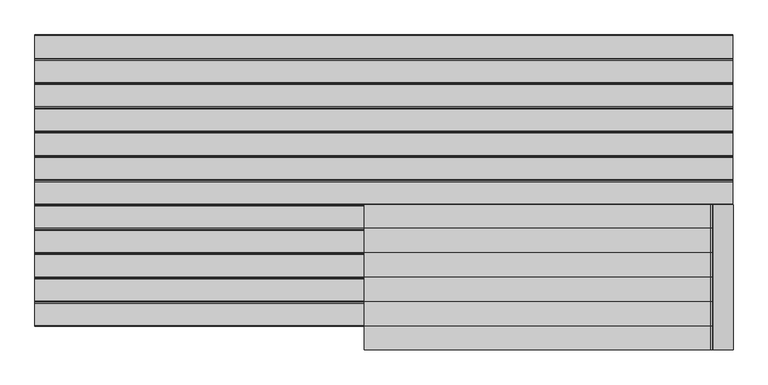
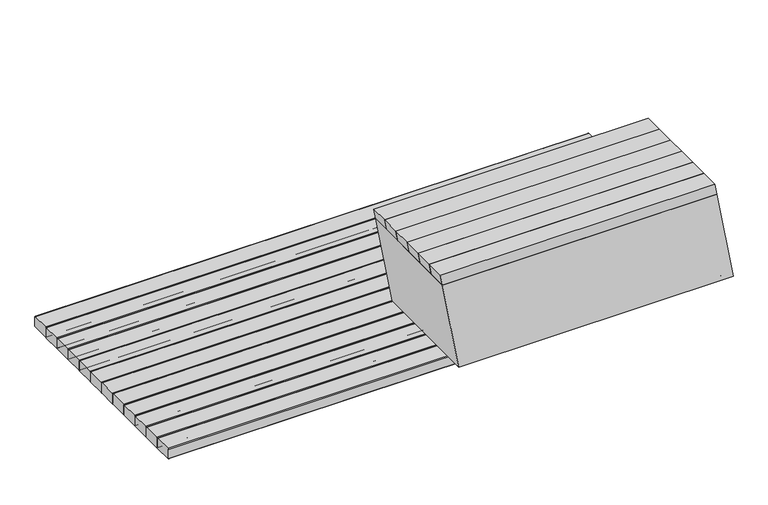
"""IFC4 building model written with IfcOpenShell, lengths in millimetres: furniture geometry."""

from ifc_helpers import new_model, si_unit, frame, origin, place, context, project, spatial, polyline, circle_curve, outline, extrude, faceted_brep, source, transform, mapped, element, save
from ifc_brep_helpers import plane_surface, cylinder_surface, advanced_brep


def furniture_d34a2d7c(model_context):
    return source(origin(), model_context, "Body", "SolidModel", [
        faceted_brep([(-59.1883413, -1000.0, 572.8633187), (1130.8116587, -1000.0, 572.8633187), (1130.8116587, -500.0, 572.8633187), (-59.1883413, -500.0, 572.8633187), (1011.2024098, -950.0, 572.8633187), (61.342451, -950.0, 572.8633187), (61.342451, -550.0000735, 572.8633187), (1011.2024098, -550.0000735, 572.8633187), (11.342451, -1000.0000367, 172.8633187), (11.342451, -500.0, 172.8633187), (1201.342451, -500.0, 172.8633187), (1201.342451, -1000.0000367, 172.8633187), (61.342451, -950.0, 172.8633187), (1151.342451, -950.0, 172.8633187), (1151.342451, -550.0000735, 172.8633187), (61.342451, -550.0000735, 172.8633187), (-53.657549, -994.0, 566.8633187), (-53.657549, -506.0000735, 566.8633187), (1122.2598002, -506.0000735, 566.8633187), (1122.2598002, -994.0, 566.8633187), (61.342451, -950.0, 566.8633187), (1013.3045104, -950.0, 566.8633187), (1013.3045104, -550.0000735, 566.8633187), (61.342451, -550.0000735, 566.8633187), (17.1082534, -994.0, 178.8633187), (1193.8175903, -994.0, 178.8633187), (1193.8175903, -506.0000735, 178.8633187), (17.1082534, -506.0000735, 178.8633187), (1149.2403504, -950.0, 178.8633187), (61.342451, -950.0, 178.8633187), (61.342451, -550.0000735, 178.8633187), (1149.2403504, -550.0000735, 178.8633187)], [[[0, 1, 2, 3], [4, 5, 6, 7]], [[8, 9, 10, 11], [12, 13, 14, 15]], [[1, 0, 8, 11]], [[2, 1, 11, 10]], [[3, 2, 10, 9]], [[0, 3, 9, 8]], [[16, 17, 18, 19], [20, 21, 22, 23]], [[24, 25, 26, 27], [28, 29, 30, 31]], [[16, 19, 25, 24]], [[19, 18, 26, 25]], [[18, 17, 27, 26]], [[17, 16, 24, 27]], [[20, 5, 4, 21]], [[12, 29, 28, 13]], [[21, 4, 7, 22]], [[13, 28, 31, 14]], [[22, 7, 6, 23]], [[14, 31, 30, 15]], [[5, 20, 23, 6]], [[29, 12, 15, 30]]]),
        extrude(outline(polyline([(621.3633187, -67.7401998), (572.8633187, -59.1883413), (572.8633187, 1130.8116587), (621.3633187, 1122.2598002), (621.3633187, -67.7401998)])), frame((0.0, -1000.0, 0.0), z_axis=(0.0, 1.0, 0.0), x_axis=(0.0, 0.0, 1.0)), (0.0, 0.0, 1.0), 81.9999944),
        extrude(outline(polyline([(621.3633187, -67.7401998), (572.8633187, -59.1883413), (572.8633187, 1130.8116587), (621.3633187, 1122.2598002), (621.3633187, -67.7401998)])), frame((0.0, -918.0000056, 0.0), z_axis=(0.0, 1.0, 0.0), x_axis=(0.0, 0.0, 1.0)), (0.0, 0.0, 1.0), 84.0),
        extrude(outline(polyline([(621.3633187, -67.7401998), (572.8633187, -59.1883413), (572.8633187, 1130.8116587), (621.3633187, 1122.2598002), (621.3633187, -67.7401998)])), frame((0.0, -834.0000056, 0.0), z_axis=(0.0, 1.0, 0.0), x_axis=(0.0, 0.0, 1.0)), (0.0, 0.0, 1.0), 83.9999689),
        extrude(outline(polyline([(621.3633187, -67.7401998), (572.8633187, -59.1883413), (572.8633187, 1130.8116587), (621.3633187, 1122.2598002), (621.3633187, -67.7401998)])), frame((0.0, -750.0000367, 0.0), z_axis=(0.0, 1.0, 0.0), x_axis=(0.0, 0.0, 1.0)), (0.0, 0.0, 1.0), 84.0000311),
        extrude(outline(polyline([(621.3633187, -67.7401998), (572.8633187, -59.1883413), (572.8633187, 1130.8116587), (621.3633187, 1122.2598002), (621.3633187, -67.7401998)])), frame((0.0, -666.0000056, 0.0), z_axis=(0.0, 1.0, 0.0), x_axis=(0.0, 0.0, 1.0)), (0.0, 0.0, 1.0), 84.0),
        extrude(outline(polyline([(621.3633187, -67.7401998), (572.8633187, -59.1883413), (572.8633187, 1130.8116587), (621.3633187, 1122.2598002), (621.3633187, -67.7401998)])), frame((0.0, -582.0000056, 0.0), z_axis=(0.0, 1.0, 0.0), x_axis=(0.0, 0.0, 1.0)), (0.0, 0.0, 1.0), 81.9999321),
        advanced_brep(
        [(1199.9999759, -919.1308913, 128.3), (1199.9999759, -919.1308913, 169.8), (-1199.9998, -919.1308913, 169.8), (-1199.9998, -919.1308913, 128.3), (1199.9999759, -916.1308913, 125.3), (-1199.9998, -916.1308913, 125.3), (-1149.9999759, -916.1308913, 125.3), (1149.9999759, -916.1308913, 125.3), (1199.9999759, -838.5594304, 125.3), (-1199.9998, -838.5594304, 125.3), (-1149.9999759, -838.5594304, 125.3), (1149.9999759, -838.5594304, 125.3), (1199.9999759, -838.5656739, 172.8), (1199.9999759, -835.5656739, 169.8), (-1199.9998, -835.5656739, 169.8), (-1199.9998, -838.5656739, 172.8), (1199.9999759, -916.1308913, 172.8), (1199.9999759, -835.5656739, 128.2937565), (-1199.9998, -916.1308913, 172.8), (-1199.9998, -835.5656739, 128.2937565)],
        [
            (0, 1),
            (1, 2),
            (2, 3),
            (3, 0),
            (4, 0, circle_curve(frame((1199.9999759, -916.1308913, 128.3), z_axis=(-1.0, 0.0, 0.0), x_axis=(0.0, -1.0, 0.0)), 3.0)),
            (3, 5, circle_curve(frame((-1199.9998, -916.1308913, 128.3), z_axis=(1.0, 0.0, 0.0), x_axis=(0.0, -1.0, 0.0)), 3.0)),
            (5, 6),
            (6, 7),
            (7, 4),
            (8, 4),
            (5, 9),
            (9, 10),
            (10, 11),
            (11, 8),
            (12, 13, circle_curve(frame((1199.9999759, -838.5656739, 169.8), z_axis=(-1.0, 0.0, 0.0), x_axis=(0.0, -1.0, 0.0)), 3.0)),
            (13, 14),
            (14, 15, circle_curve(frame((-1199.9998, -838.5656739, 169.8), z_axis=(1.0, 0.0, 0.0), x_axis=(0.0, -1.0, 0.0)), 3.0)),
            (15, 12),
            (16, 1, circle_curve(frame((1199.9999759, -916.1308913, 169.8), z_axis=(1.0, 0.0, 0.0), x_axis=(0.0, -1.0, 0.0)), 3.0)),
            (8, 17, circle_curve(frame((1199.9999759, -838.5594304, 128.2937565), z_axis=(1.0, 0.0, 0.0), x_axis=(0.0, -1.0, 0.0)), 2.9937565)),
            (17, 13),
            (12, 16),
            (18, 15),
            (14, 19),
            (19, 9, circle_curve(frame((-1199.9998, -838.5594304, 128.2937565), z_axis=(-1.0, 0.0, 0.0), x_axis=(0.0, -1.0, 0.0)), 2.9937565)),
            (2, 18, circle_curve(frame((-1199.9998, -916.1308913, 169.8), z_axis=(-1.0, 0.0, 0.0), x_axis=(0.0, -1.0, 0.0)), 3.0)),
            (16, 18),
            (19, 17),
        ],
        [
            plane_surface(frame((1199.9999759, -919.1308913, 169.8), z_axis=(0.0, -1.0, 0.0), x_axis=(-1.0, 0.0, 0.0))),
            cylinder_surface(frame((-1199.9998, -916.1308913, 128.3), z_axis=(1.0, 0.0, 0.0), x_axis=(0.0, -1.0, 0.0)), 3.0),
            plane_surface(frame((1199.9999759, -916.1308913, 125.3), z_axis=(0.0, 0.0, -1.0), x_axis=(-1.0, 0.0, 0.0))),
            cylinder_surface(frame((-1199.9998, -838.5656739, 169.8), z_axis=(1.0, 0.0, 0.0), x_axis=(0.0, -1.0, 0.0)), 3.0),
            plane_surface(frame((1199.9999759, -919.1308913, 169.8), z_axis=(1.0, 0.0, 0.0), x_axis=(0.0, 0.0, -1.0))),
            plane_surface(frame((-1199.9998, -919.1308913, 169.8), z_axis=(-1.0, 0.0, 0.0), x_axis=(0.0, 0.0, 1.0))),
            cylinder_surface(frame((-1199.9998, -916.1308913, 169.8), z_axis=(1.0, 0.0, 0.0), x_axis=(0.0, -1.0, 0.0)), 3.0),
            cylinder_surface(frame((-1199.9998, -838.5594304, 128.2937565), z_axis=(1.0, 0.0, 0.0), x_axis=(0.0, -1.0, 0.0)), 2.9937565),
            plane_surface(frame((1199.9999759, -835.5656739, 128.2937565), z_axis=(0.0, 1.0, 0.0), x_axis=(-1.0, 0.0, 0.0))),
            plane_surface(frame((1199.9999759, -838.5656739, 172.8), z_axis=(0.0, 0.0, 1.0), x_axis=(-1.0, 0.0, 0.0))),
        ],
        [
            (0, [[1, 2, 3, 4]]),
            (1, [[5, -4, 6, 7, 8, 9]]),
            (2, [[10, -9, -8, -7, 11, 12, 13, 14]]),
            (3, [[15, 16, 17, 18]]),
            (4, [[19, -1, -5, -10, 20, 21, -15, 22]]),
            (5, [[23, -17, 24, 25, -11, -6, -3, 26]]),
            (6, [[-19, 27, -26, -2]]),
            (7, [[-20, -14, -13, -12, -25, 28]]),
            (8, [[-21, -28, -24, -16]]),
            (9, [[-22, -18, -23, -27]]),
        ],
    ),
        advanced_brep(
        [(1199.9999759, -832.5656739, 172.8), (1199.9999759, -835.5656739, 169.8), (1199.9999759, -835.5656739, 128.3), (1199.9999759, -832.5656739, 125.3), (1199.9999759, -754.994213, 125.3), (1199.9999759, -752.0004565, 128.2937565), (1199.9999759, -752.0004565, 169.8), (1199.9999759, -755.0004565, 172.8), (-1199.9998, -832.5656739, 172.8), (-1199.9998, -755.0004565, 172.8), (-1199.9998, -752.0004565, 169.8), (-1199.9998, -752.0004565, 128.2937565), (-1199.9998, -754.994213, 125.3), (-1199.9998, -832.5656739, 125.3), (-1199.9998, -835.5656739, 128.3), (-1199.9998, -835.5656739, 169.8), (-1149.9999759, -832.5656739, 125.3), (1149.9999759, -832.5656739, 125.3), (-1149.9999759, -754.994213, 125.3), (1149.9999759, -754.994213, 125.3)],
        [
            (0, 1, circle_curve(frame((1199.9999759, -832.5656739, 169.8), z_axis=(1.0, 0.0, 0.0), x_axis=(0.0, -1.0, 0.0)), 3.0)),
            (1, 2),
            (2, 3, circle_curve(frame((1199.9999759, -832.5656739, 128.3), z_axis=(1.0, 0.0, 0.0), x_axis=(0.0, -1.0, 0.0)), 3.0)),
            (3, 4),
            (4, 5, circle_curve(frame((1199.9999759, -754.994213, 128.2937565), z_axis=(1.0, 0.0, 0.0), x_axis=(0.0, -1.0, 0.0)), 2.9937565)),
            (5, 6),
            (6, 7, circle_curve(frame((1199.9999759, -755.0004565, 169.8), z_axis=(1.0, 0.0, 0.0), x_axis=(0.0, -1.0, 0.0)), 3.0)),
            (7, 0),
            (8, 9),
            (9, 10, circle_curve(frame((-1199.9998, -755.0004565, 169.8), z_axis=(-1.0, 0.0, 0.0), x_axis=(0.0, -1.0, 0.0)), 3.0)),
            (10, 11),
            (11, 12, circle_curve(frame((-1199.9998, -754.994213, 128.2937565), z_axis=(-1.0, 0.0, 0.0), x_axis=(0.0, -1.0, 0.0)), 2.9937565)),
            (12, 13),
            (13, 14, circle_curve(frame((-1199.9998, -832.5656739, 128.3), z_axis=(-1.0, 0.0, 0.0), x_axis=(0.0, -1.0, 0.0)), 3.0)),
            (14, 15),
            (15, 8, circle_curve(frame((-1199.9998, -832.5656739, 169.8), z_axis=(-1.0, 0.0, 0.0), x_axis=(0.0, -1.0, 0.0)), 3.0)),
            (0, 8),
            (15, 1),
            (14, 2),
            (13, 16),
            (16, 17),
            (17, 3),
            (12, 18),
            (18, 19),
            (19, 4),
            (11, 5),
            (10, 6),
            (9, 7),
        ],
        [
            plane_surface(frame((1199.9999759, -835.5656739, 169.8), z_axis=(1.0, 0.0, 0.0), x_axis=(0.0, 0.0, -1.0))),
            plane_surface(frame((-1199.9998, -835.5656739, 169.8), z_axis=(-1.0, 0.0, 0.0), x_axis=(0.0, 0.0, 1.0))),
            cylinder_surface(frame((-1199.9998, -832.5656739, 169.8), z_axis=(1.0, 0.0, 0.0), x_axis=(0.0, -1.0, 0.0)), 3.0),
            plane_surface(frame((1199.9999759, -835.5656739, 169.8), z_axis=(0.0, -1.0, 0.0), x_axis=(-1.0, 0.0, 0.0))),
            cylinder_surface(frame((-1199.9998, -832.5656739, 128.3), z_axis=(1.0, 0.0, 0.0), x_axis=(0.0, -1.0, 0.0)), 3.0),
            plane_surface(frame((1199.9999759, -832.5656739, 125.3), z_axis=(0.0, 0.0, -1.0), x_axis=(-1.0, 0.0, 0.0))),
            cylinder_surface(frame((-1199.9998, -754.994213, 128.2937565), z_axis=(1.0, 0.0, 0.0), x_axis=(0.0, -1.0, 0.0)), 2.9937565),
            plane_surface(frame((1199.9999759, -752.0004565, 128.2937565), z_axis=(0.0, 1.0, 0.0), x_axis=(-1.0, 0.0, 0.0))),
            cylinder_surface(frame((-1199.9998, -755.0004565, 169.8), z_axis=(1.0, 0.0, 0.0), x_axis=(0.0, -1.0, 0.0)), 3.0),
            plane_surface(frame((1199.9999759, -755.0004565, 172.8), z_axis=(0.0, 0.0, 1.0), x_axis=(-1.0, 0.0, 0.0))),
        ],
        [
            (0, [[1, 2, 3, 4, 5, 6, 7, 8]]),
            (1, [[9, 10, 11, 12, 13, 14, 15, 16]]),
            (2, [[-1, 17, -16, 18]]),
            (3, [[-2, -18, -15, 19]]),
            (4, [[-3, -19, -14, 20, 21, 22]]),
            (5, [[-4, -22, -21, -20, -13, 23, 24, 25]]),
            (6, [[-5, -25, -24, -23, -12, 26]]),
            (7, [[-6, -26, -11, 27]]),
            (8, [[-7, -27, -10, 28]]),
            (9, [[-8, -28, -9, -17]]),
        ],
    ),
        advanced_brep(
        [(1199.9999759, -749.0004565, 125.3), (1199.9999759, -752.0004565, 128.3), (-1199.9998, -752.0004565, 128.3), (-1199.9998, -749.0004565, 125.3), (-1149.9999759, -749.0004565, 125.3), (1149.9999759, -749.0004565, 125.3), (1199.9999759, -749.0004565, 172.8), (1199.9999759, -752.0004565, 169.8), (1199.9999759, -671.4289956, 125.3), (1199.9999759, -668.4352391, 128.2937565), (1199.9999759, -668.4352391, 169.8), (1199.9999759, -671.4352391, 172.8), (-1199.9998, -749.0004565, 172.8), (-1199.9998, -671.4352391, 172.8), (-1199.9998, -668.4352391, 169.8), (-1199.9998, -668.4352391, 128.2937565), (-1199.9998, -671.4289956, 125.3), (-1199.9998, -752.0004565, 169.8), (-1149.9999759, -671.4289956, 125.3), (1149.9999759, -671.4289956, 125.3)],
        [
            (0, 1, circle_curve(frame((1199.9999759, -749.0004565, 128.3), z_axis=(-1.0, 0.0, 0.0), x_axis=(0.0, -1.0, 0.0)), 3.0)),
            (1, 2),
            (2, 3, circle_curve(frame((-1199.9998, -749.0004565, 128.3), z_axis=(1.0, 0.0, 0.0), x_axis=(0.0, -1.0, 0.0)), 3.0)),
            (3, 4),
            (4, 5),
            (5, 0),
            (6, 7, circle_curve(frame((1199.9999759, -749.0004565, 169.8), z_axis=(1.0, 0.0, 0.0), x_axis=(0.0, -1.0, 0.0)), 3.0)),
            (7, 1),
            (0, 8),
            (8, 9, circle_curve(frame((1199.9999759, -671.4289956, 128.2937565), z_axis=(1.0, 0.0, 0.0), x_axis=(0.0, -1.0, 0.0)), 2.9937565)),
            (9, 10),
            (10, 11, circle_curve(frame((1199.9999759, -671.4352391, 169.8), z_axis=(1.0, 0.0, 0.0), x_axis=(0.0, -1.0, 0.0)), 3.0)),
            (11, 6),
            (12, 13),
            (13, 14, circle_curve(frame((-1199.9998, -671.4352391, 169.8), z_axis=(-1.0, 0.0, 0.0), x_axis=(0.0, -1.0, 0.0)), 3.0)),
            (14, 15),
            (15, 16, circle_curve(frame((-1199.9998, -671.4289956, 128.2937565), z_axis=(-1.0, 0.0, 0.0), x_axis=(0.0, -1.0, 0.0)), 2.9937565)),
            (16, 3),
            (2, 17),
            (17, 12, circle_curve(frame((-1199.9998, -749.0004565, 169.8), z_axis=(-1.0, 0.0, 0.0), x_axis=(0.0, -1.0, 0.0)), 3.0)),
            (6, 12),
            (17, 7),
            (16, 18),
            (18, 19),
            (19, 8),
            (15, 9),
            (14, 10),
            (13, 11),
        ],
        [
            cylinder_surface(frame((-1199.9998, -749.0004565, 128.3), z_axis=(1.0, 0.0, 0.0), x_axis=(0.0, -1.0, 0.0)), 3.0),
            plane_surface(frame((1199.9999759, -752.0004565, 169.8), z_axis=(1.0, 0.0, 0.0), x_axis=(0.0, 0.0, -1.0))),
            plane_surface(frame((-1199.9998, -752.0004565, 169.8), z_axis=(-1.0, 0.0, 0.0), x_axis=(0.0, 0.0, 1.0))),
            cylinder_surface(frame((-1199.9998, -749.0004565, 169.8), z_axis=(1.0, 0.0, 0.0), x_axis=(0.0, -1.0, 0.0)), 3.0),
            plane_surface(frame((1199.9999759, -752.0004565, 169.8), z_axis=(0.0, -1.0, 0.0), x_axis=(-1.0, 0.0, 0.0))),
            plane_surface(frame((1199.9999759, -749.0004565, 125.3), z_axis=(0.0, 0.0, -1.0), x_axis=(-1.0, 0.0, 0.0))),
            cylinder_surface(frame((-1199.9998, -671.4289956, 128.2937565), z_axis=(1.0, 0.0, 0.0), x_axis=(0.0, -1.0, 0.0)), 2.9937565),
            plane_surface(frame((1199.9999759, -668.4352391, 128.2937565), z_axis=(0.0, 1.0, 0.0), x_axis=(-1.0, 0.0, 0.0))),
            cylinder_surface(frame((-1199.9998, -671.4352391, 169.8), z_axis=(1.0, 0.0, 0.0), x_axis=(0.0, -1.0, 0.0)), 3.0),
            plane_surface(frame((1199.9999759, -671.4352391, 172.8), z_axis=(0.0, 0.0, 1.0), x_axis=(-1.0, 0.0, 0.0))),
        ],
        [
            (0, [[1, 2, 3, 4, 5, 6]]),
            (1, [[7, 8, -1, 9, 10, 11, 12, 13]]),
            (2, [[14, 15, 16, 17, 18, -3, 19, 20]]),
            (3, [[-7, 21, -20, 22]]),
            (4, [[-8, -22, -19, -2]]),
            (5, [[-9, -6, -5, -4, -18, 23, 24, 25]]),
            (6, [[-10, -25, -24, -23, -17, 26]]),
            (7, [[-11, -26, -16, 27]]),
            (8, [[-12, -27, -15, 28]]),
            (9, [[-13, -28, -14, -21]]),
        ],
    ),
        advanced_brep(
        [(1199.9999759, -668.4352391, 169.8), (1199.9999759, -665.4352391, 172.8), (-1199.9998, -665.4352391, 172.8), (-1199.9998, -668.4352391, 169.8), (1199.9999759, -668.4352391, 128.3), (-1199.9998, -668.4352391, 128.3), (1199.9999759, -665.4352391, 125.3), (-1199.9998, -665.4352391, 125.3), (-1149.9999759, -665.4352391, 125.3), (1149.9999759, -665.4352391, 125.3), (1199.9999759, -587.8637782, 125.3), (1199.9999759, -584.8700217, 128.2937565), (1199.9999759, -584.8700217, 169.8), (1199.9999759, -587.8700217, 172.8), (-1199.9998, -587.8700217, 172.8), (-1199.9998, -584.8700217, 169.8), (-1199.9998, -584.8700217, 128.2937565), (-1199.9998, -587.8637782, 125.3), (-1149.9999759, -587.8637782, 125.3), (1149.9999759, -587.8637782, 125.3)],
        [
            (0, 1, circle_curve(frame((1199.9999759, -665.4352391, 169.8), z_axis=(-1.0, 0.0, 0.0), x_axis=(0.0, -1.0, 0.0)), 3.0)),
            (1, 2),
            (2, 3, circle_curve(frame((-1199.9998, -665.4352391, 169.8), z_axis=(1.0, 0.0, 0.0), x_axis=(0.0, -1.0, 0.0)), 3.0)),
            (3, 0),
            (4, 0),
            (3, 5),
            (5, 4),
            (6, 4, circle_curve(frame((1199.9999759, -665.4352391, 128.3), z_axis=(-1.0, 0.0, 0.0), x_axis=(0.0, -1.0, 0.0)), 3.0)),
            (5, 7, circle_curve(frame((-1199.9998, -665.4352391, 128.3), z_axis=(1.0, 0.0, 0.0), x_axis=(0.0, -1.0, 0.0)), 3.0)),
            (7, 8),
            (8, 9),
            (9, 6),
            (6, 10),
            (10, 11, circle_curve(frame((1199.9999759, -587.8637782, 128.2937565), z_axis=(1.0, 0.0, 0.0), x_axis=(0.0, -1.0, 0.0)), 2.9937565)),
            (11, 12),
            (12, 13, circle_curve(frame((1199.9999759, -587.8700217, 169.8), z_axis=(1.0, 0.0, 0.0), x_axis=(0.0, -1.0, 0.0)), 3.0)),
            (13, 1),
            (2, 14),
            (14, 15, circle_curve(frame((-1199.9998, -587.8700217, 169.8), z_axis=(-1.0, 0.0, 0.0), x_axis=(0.0, -1.0, 0.0)), 3.0)),
            (15, 16),
            (16, 17, circle_curve(frame((-1199.9998, -587.8637782, 128.2937565), z_axis=(-1.0, 0.0, 0.0), x_axis=(0.0, -1.0, 0.0)), 2.9937565)),
            (17, 7),
            (17, 18),
            (18, 19),
            (19, 10),
            (16, 11),
            (15, 12),
            (14, 13),
        ],
        [
            cylinder_surface(frame((-1199.9998, -665.4352391, 169.8), z_axis=(1.0, 0.0, 0.0), x_axis=(0.0, -1.0, 0.0)), 3.0),
            plane_surface(frame((1199.9999759, -668.4352391, 169.8), z_axis=(0.0, -1.0, 0.0), x_axis=(-1.0, 0.0, 0.0))),
            cylinder_surface(frame((-1199.9998, -665.4352391, 128.3), z_axis=(1.0, 0.0, 0.0), x_axis=(0.0, -1.0, 0.0)), 3.0),
            plane_surface(frame((1199.9999759, -668.4352391, 169.8), z_axis=(1.0, 0.0, 0.0), x_axis=(0.0, 0.0, -1.0))),
            plane_surface(frame((-1199.9998, -668.4352391, 169.8), z_axis=(-1.0, 0.0, 0.0), x_axis=(0.0, 0.0, 1.0))),
            plane_surface(frame((1199.9999759, -665.4352391, 125.3), z_axis=(0.0, 0.0, -1.0), x_axis=(-1.0, 0.0, 0.0))),
            cylinder_surface(frame((-1199.9998, -587.8637782, 128.2937565), z_axis=(1.0, 0.0, 0.0), x_axis=(0.0, -1.0, 0.0)), 2.9937565),
            plane_surface(frame((1199.9999759, -584.8700217, 128.2937565), z_axis=(0.0, 1.0, 0.0), x_axis=(-1.0, 0.0, 0.0))),
            cylinder_surface(frame((-1199.9998, -587.8700217, 169.8), z_axis=(1.0, 0.0, 0.0), x_axis=(0.0, -1.0, 0.0)), 3.0),
            plane_surface(frame((1199.9999759, -587.8700217, 172.8), z_axis=(0.0, 0.0, 1.0), x_axis=(-1.0, 0.0, 0.0))),
        ],
        [
            (0, [[1, 2, 3, 4]]),
            (1, [[5, -4, 6, 7]]),
            (2, [[8, -7, 9, 10, 11, 12]]),
            (3, [[-1, -5, -8, 13, 14, 15, 16, 17]]),
            (4, [[18, 19, 20, 21, 22, -9, -6, -3]]),
            (5, [[-13, -12, -11, -10, -22, 23, 24, 25]]),
            (6, [[-14, -25, -24, -23, -21, 26]]),
            (7, [[-15, -26, -20, 27]]),
            (8, [[-16, -27, -19, 28]]),
            (9, [[-17, -28, -18, -2]]),
        ],
    ),
        advanced_brep(
        [(1199.9999759, -581.8700217, 125.3), (1199.9999759, -584.8700217, 128.3), (-1199.9998, -584.8700217, 128.3), (-1199.9998, -581.8700217, 125.3), (-1149.9999759, -581.8700217, 125.3), (1149.9999759, -581.8700217, 125.3), (1199.9999759, -581.8700217, 172.8), (1199.9999759, -584.8700217, 169.8), (1199.9999759, -504.2985608, 125.3), (1199.9999759, -501.3048043, 128.2937565), (1199.9999759, -501.3048043, 169.8), (1199.9999759, -504.3048043, 172.8), (-1199.9998, -581.8700217, 172.8), (-1199.9998, -504.3048043, 172.8), (-1199.9998, -501.3048043, 169.8), (-1199.9998, -501.3048043, 128.2937565), (-1199.9998, -504.2985608, 125.3), (-1199.9998, -584.8700217, 169.8), (-1149.9999759, -504.2985608, 125.3), (1149.9999759, -504.2985608, 125.3)],
        [
            (0, 1, circle_curve(frame((1199.9999759, -581.8700217, 128.3), z_axis=(-1.0, 0.0, 0.0), x_axis=(0.0, -1.0, 0.0)), 3.0)),
            (1, 2),
            (2, 3, circle_curve(frame((-1199.9998, -581.8700217, 128.3), z_axis=(1.0, 0.0, 0.0), x_axis=(0.0, -1.0, 0.0)), 3.0)),
            (3, 4),
            (4, 5),
            (5, 0),
            (6, 7, circle_curve(frame((1199.9999759, -581.8700217, 169.8), z_axis=(1.0, 0.0, 0.0), x_axis=(0.0, -1.0, 0.0)), 3.0)),
            (7, 1),
            (0, 8),
            (8, 9, circle_curve(frame((1199.9999759, -504.2985608, 128.2937565), z_axis=(1.0, 0.0, 0.0), x_axis=(0.0, -1.0, 0.0)), 2.9937565)),
            (9, 10),
            (10, 11, circle_curve(frame((1199.9999759, -504.3048043, 169.8), z_axis=(1.0, 0.0, 0.0), x_axis=(0.0, -1.0, 0.0)), 3.0)),
            (11, 6),
            (12, 13),
            (13, 14, circle_curve(frame((-1199.9998, -504.3048043, 169.8), z_axis=(-1.0, 0.0, 0.0), x_axis=(0.0, -1.0, 0.0)), 3.0)),
            (14, 15),
            (15, 16, circle_curve(frame((-1199.9998, -504.2985608, 128.2937565), z_axis=(-1.0, 0.0, 0.0), x_axis=(0.0, -1.0, 0.0)), 2.9937565)),
            (16, 3),
            (2, 17),
            (17, 12, circle_curve(frame((-1199.9998, -581.8700217, 169.8), z_axis=(-1.0, 0.0, 0.0), x_axis=(0.0, -1.0, 0.0)), 3.0)),
            (6, 12),
            (17, 7),
            (16, 18),
            (18, 19),
            (19, 8),
            (15, 9),
            (14, 10),
            (13, 11),
        ],
        [
            cylinder_surface(frame((-1199.9998, -581.8700217, 128.3), z_axis=(1.0, 0.0, 0.0), x_axis=(0.0, -1.0, 0.0)), 3.0),
            plane_surface(frame((1199.9999759, -584.8700217, 169.8), z_axis=(1.0, 0.0, 0.0), x_axis=(0.0, 0.0, -1.0))),
            plane_surface(frame((-1199.9998, -584.8700217, 169.8), z_axis=(-1.0, 0.0, 0.0), x_axis=(0.0, 0.0, 1.0))),
            cylinder_surface(frame((-1199.9998, -581.8700217, 169.8), z_axis=(1.0, 0.0, 0.0), x_axis=(0.0, -1.0, 0.0)), 3.0),
            plane_surface(frame((1199.9999759, -584.8700217, 169.8), z_axis=(0.0, -1.0, 0.0), x_axis=(-1.0, 0.0, 0.0))),
            plane_surface(frame((1199.9999759, -581.8700217, 125.3), z_axis=(0.0, 0.0, -1.0), x_axis=(-1.0, 0.0, 0.0))),
            cylinder_surface(frame((-1199.9998, -504.2985608, 128.2937565), z_axis=(1.0, 0.0, 0.0), x_axis=(0.0, -1.0, 0.0)), 2.9937565),
            plane_surface(frame((1199.9999759, -501.3048043, 128.2937565), z_axis=(0.0, 1.0, 0.0), x_axis=(-1.0, 0.0, 0.0))),
            cylinder_surface(frame((-1199.9998, -504.3048043, 169.8), z_axis=(1.0, 0.0, 0.0), x_axis=(0.0, -1.0, 0.0)), 3.0),
            plane_surface(frame((1199.9999759, -504.3048043, 172.8), z_axis=(0.0, 0.0, 1.0), x_axis=(-1.0, 0.0, 0.0))),
        ],
        [
            (0, [[1, 2, 3, 4, 5, 6]]),
            (1, [[7, 8, -1, 9, 10, 11, 12, 13]]),
            (2, [[14, 15, 16, 17, 18, -3, 19, 20]]),
            (3, [[-7, 21, -20, 22]]),
            (4, [[-8, -22, -19, -2]]),
            (5, [[-9, -6, -5, -4, -18, 23, 24, 25]]),
            (6, [[-10, -25, -24, -23, -17, 26]]),
            (7, [[-11, -26, -16, 27]]),
            (8, [[-12, -27, -15, 28]]),
            (9, [[-13, -28, -14, -21]]),
        ],
    ),
        advanced_brep(
        [(1199.9999759, -501.3048043, 128.3), (1199.9999759, -501.3048043, 169.8), (-1199.9998, -501.3048043, 169.8), (-1199.9998, -501.3048043, 128.3), (1199.9999759, -498.3048043, 125.3), (-1199.9998, -498.3048043, 125.3), (-1149.9999759, -498.3048043, 125.3), (1149.9999759, -498.3048043, 125.3), (1199.9999759, -420.7333434, 125.3), (-1199.9998, -420.7333434, 125.3), (-1149.9999759, -420.7333434, 125.3), (1149.9999759, -420.7333434, 125.3), (1199.9999759, -417.739587, 128.2937565), (-1199.9998, -417.739587, 128.2937565), (1199.9999759, -417.739587, 169.8), (-1199.9998, -417.739587, 169.8), (1199.9999759, -420.739587, 172.8), (-1199.9998, -420.739587, 172.8), (1199.9999759, -498.3048043, 172.8), (-1199.9998, -498.3048043, 172.8)],
        [
            (0, 1),
            (1, 2),
            (2, 3),
            (3, 0),
            (4, 0, circle_curve(frame((1199.9999759, -498.3048043, 128.3), z_axis=(-1.0, 0.0, 0.0), x_axis=(0.0, -1.0, 0.0)), 3.0)),
            (3, 5, circle_curve(frame((-1199.9998, -498.3048043, 128.3), z_axis=(1.0, 0.0, 0.0), x_axis=(0.0, -1.0, 0.0)), 3.0)),
            (5, 6),
            (6, 7),
            (7, 4),
            (8, 4),
            (5, 9),
            (9, 10),
            (10, 11),
            (11, 8),
            (12, 8, circle_curve(frame((1199.9999759, -420.7333434, 128.2937565), z_axis=(-1.0, 0.0, 0.0), x_axis=(0.0, -1.0, 0.0)), 2.9937565)),
            (9, 13, circle_curve(frame((-1199.9998, -420.7333434, 128.2937565), z_axis=(1.0, 0.0, 0.0), x_axis=(0.0, -1.0, 0.0)), 2.9937565)),
            (13, 12),
            (14, 12),
            (13, 15),
            (15, 14),
            (16, 14, circle_curve(frame((1199.9999759, -420.739587, 169.8), z_axis=(-1.0, 0.0, 0.0), x_axis=(0.0, -1.0, 0.0)), 3.0)),
            (15, 17, circle_curve(frame((-1199.9998, -420.739587, 169.8), z_axis=(1.0, 0.0, 0.0), x_axis=(0.0, -1.0, 0.0)), 3.0)),
            (17, 16),
            (18, 1, circle_curve(frame((1199.9999759, -498.3048043, 169.8), z_axis=(1.0, 0.0, 0.0), x_axis=(0.0, -1.0, 0.0)), 3.0)),
            (16, 18),
            (19, 17),
            (2, 19, circle_curve(frame((-1199.9998, -498.3048043, 169.8), z_axis=(-1.0, 0.0, 0.0), x_axis=(0.0, -1.0, 0.0)), 3.0)),
            (18, 19),
        ],
        [
            plane_surface(frame((1199.9999759, -501.3048043, 169.8), z_axis=(0.0, -1.0, 0.0), x_axis=(-1.0, 0.0, 0.0))),
            cylinder_surface(frame((-1199.9998, -498.3048043, 128.3), z_axis=(1.0, 0.0, 0.0), x_axis=(0.0, -1.0, 0.0)), 3.0),
            plane_surface(frame((1199.9999759, -498.3048043, 125.3), z_axis=(0.0, 0.0, -1.0), x_axis=(-1.0, 0.0, 0.0))),
            cylinder_surface(frame((-1199.9998, -420.7333434, 128.2937565), z_axis=(1.0, 0.0, 0.0), x_axis=(0.0, -1.0, 0.0)), 2.9937565),
            plane_surface(frame((1199.9999759, -417.739587, 128.2937565), z_axis=(0.0, 1.0, 0.0), x_axis=(-1.0, 0.0, 0.0))),
            cylinder_surface(frame((-1199.9998, -420.739587, 169.8), z_axis=(1.0, 0.0, 0.0), x_axis=(0.0, -1.0, 0.0)), 3.0),
            plane_surface(frame((1199.9999759, -501.3048043, 169.8), z_axis=(1.0, 0.0, 0.0), x_axis=(0.0, 0.0, -1.0))),
            plane_surface(frame((-1199.9998, -501.3048043, 169.8), z_axis=(-1.0, 0.0, 0.0), x_axis=(0.0, 0.0, 1.0))),
            cylinder_surface(frame((-1199.9998, -498.3048043, 169.8), z_axis=(1.0, 0.0, 0.0), x_axis=(0.0, -1.0, 0.0)), 3.0),
            plane_surface(frame((1199.9999759, -420.739587, 172.8), z_axis=(0.0, 0.0, 1.0), x_axis=(-1.0, 0.0, 0.0))),
        ],
        [
            (0, [[1, 2, 3, 4]]),
            (1, [[5, -4, 6, 7, 8, 9]]),
            (2, [[10, -9, -8, -7, 11, 12, 13, 14]]),
            (3, [[15, -14, -13, -12, 16, 17]]),
            (4, [[18, -17, 19, 20]]),
            (5, [[21, -20, 22, 23]]),
            (6, [[24, -1, -5, -10, -15, -18, -21, 25]]),
            (7, [[26, -22, -19, -16, -11, -6, -3, 27]]),
            (8, [[-24, 28, -27, -2]]),
            (9, [[-25, -23, -26, -28]]),
        ],
    ),
        advanced_brep(
        [(-1199.9998, -414.739587, 172.8), (-1199.9998, -337.1743696, 172.8), (-1199.9998, -334.1743696, 169.8), (-1199.9998, -334.1743696, 128.2937565), (-1199.9998, -337.1681261, 125.3), (-1199.9998, -414.739587, 125.3), (-1199.9998, -417.739587, 128.3), (-1199.9998, -417.739587, 169.8), (1199.9999759, -414.739587, 172.8), (1199.9999759, -417.739587, 169.8), (1199.9999759, -417.739587, 128.3), (1199.9999759, -414.739587, 125.3), (1199.9999759, -337.1681261, 125.3), (1199.9999759, -334.1743696, 128.2937565), (1199.9999759, -334.1743696, 169.8), (1199.9999759, -337.1743696, 172.8), (-1149.9999759, -414.739587, 125.3), (1149.9999759, -414.739587, 125.3), (-1149.9999759, -337.1681261, 125.3), (1149.9999759, -337.1681261, 125.3)],
        [
            (0, 1),
            (1, 2, circle_curve(frame((-1199.9998, -337.1743696, 169.8), z_axis=(-1.0, 0.0, 0.0), x_axis=(0.0, -1.0, 0.0)), 3.0)),
            (2, 3),
            (3, 4, circle_curve(frame((-1199.9998, -337.1681261, 128.2937565), z_axis=(-1.0, 0.0, 0.0), x_axis=(0.0, -1.0, 0.0)), 2.9937565)),
            (4, 5),
            (5, 6, circle_curve(frame((-1199.9998, -414.739587, 128.3), z_axis=(-1.0, 0.0, 0.0), x_axis=(0.0, -1.0, 0.0)), 3.0)),
            (6, 7),
            (7, 0, circle_curve(frame((-1199.9998, -414.739587, 169.8), z_axis=(-1.0, 0.0, 0.0), x_axis=(0.0, -1.0, 0.0)), 3.0)),
            (8, 9, circle_curve(frame((1199.9999759, -414.739587, 169.8), z_axis=(1.0, 0.0, 0.0), x_axis=(0.0, -1.0, 0.0)), 3.0)),
            (9, 10),
            (10, 11, circle_curve(frame((1199.9999759, -414.739587, 128.3), z_axis=(1.0, 0.0, 0.0), x_axis=(0.0, -1.0, 0.0)), 3.0)),
            (11, 12),
            (12, 13, circle_curve(frame((1199.9999759, -337.1681261, 128.2937565), z_axis=(1.0, 0.0, 0.0), x_axis=(0.0, -1.0, 0.0)), 2.9937565)),
            (13, 14),
            (14, 15, circle_curve(frame((1199.9999759, -337.1743696, 169.8), z_axis=(1.0, 0.0, 0.0), x_axis=(0.0, -1.0, 0.0)), 3.0)),
            (15, 8),
            (8, 0),
            (7, 9),
            (6, 10),
            (5, 16),
            (16, 17),
            (17, 11),
            (4, 18),
            (18, 19),
            (19, 12),
            (3, 13),
            (2, 14),
            (1, 15),
        ],
        [
            plane_surface(frame((-1199.9998, -417.739587, 169.8), z_axis=(-1.0, 0.0, 0.0), x_axis=(0.0, 0.0, 1.0))),
            plane_surface(frame((1199.9999759, -417.739587, 169.8), z_axis=(1.0, 0.0, 0.0), x_axis=(0.0, 0.0, -1.0))),
            cylinder_surface(frame((-1199.9998, -414.739587, 169.8), z_axis=(1.0, 0.0, 0.0), x_axis=(0.0, -1.0, 0.0)), 3.0),
            plane_surface(frame((1199.9999759, -417.739587, 169.8), z_axis=(0.0, -1.0, 0.0), x_axis=(-1.0, 0.0, 0.0))),
            cylinder_surface(frame((-1199.9998, -414.739587, 128.3), z_axis=(1.0, 0.0, 0.0), x_axis=(0.0, -1.0, 0.0)), 3.0),
            plane_surface(frame((1199.9999759, -414.739587, 125.3), z_axis=(0.0, 0.0, -1.0), x_axis=(-1.0, 0.0, 0.0))),
            cylinder_surface(frame((-1199.9998, -337.1681261, 128.2937565), z_axis=(1.0, 0.0, 0.0), x_axis=(0.0, -1.0, 0.0)), 2.9937565),
            plane_surface(frame((1199.9999759, -334.1743696, 128.2937565), z_axis=(0.0, 1.0, 0.0), x_axis=(-1.0, 0.0, 0.0))),
            cylinder_surface(frame((-1199.9998, -337.1743696, 169.8), z_axis=(1.0, 0.0, 0.0), x_axis=(0.0, -1.0, 0.0)), 3.0),
            plane_surface(frame((1199.9999759, -337.1743696, 172.8), z_axis=(0.0, 0.0, 1.0), x_axis=(-1.0, 0.0, 0.0))),
        ],
        [
            (0, [[1, 2, 3, 4, 5, 6, 7, 8]]),
            (1, [[9, 10, 11, 12, 13, 14, 15, 16]]),
            (2, [[-9, 17, -8, 18]]),
            (3, [[-10, -18, -7, 19]]),
            (4, [[-11, -19, -6, 20, 21, 22]]),
            (5, [[-12, -22, -21, -20, -5, 23, 24, 25]]),
            (6, [[-13, -25, -24, -23, -4, 26]]),
            (7, [[-14, -26, -3, 27]]),
            (8, [[-15, -27, -2, 28]]),
            (9, [[-16, -28, -1, -17]]),
        ],
    ),
        advanced_brep(
        [(1199.9999759, -334.1743696, 169.8), (1199.9999759, -331.1743696, 172.8), (-1199.9998, -331.1743696, 172.8), (-1199.9998, -334.1743696, 169.8), (1199.9999759, -334.1743696, 128.3), (1199.9999759, -331.1743696, 125.3), (1199.9999759, -253.6029087, 125.3), (1199.9999759, -250.6091522, 128.2937565), (1199.9999759, -250.6091522, 169.8), (1199.9999759, -253.6091522, 172.8), (-1199.9998, -253.6091522, 172.8), (-1199.9998, -250.6091522, 169.8), (-1199.9998, -250.6091522, 128.2937565), (-1199.9998, -253.6029087, 125.3), (-1199.9998, -331.1743696, 125.3), (-1199.9998, -334.1743696, 128.3), (-1149.9999759, -331.1743696, 125.3), (1149.9999759, -331.1743696, 125.3), (-1149.9999759, -253.6029087, 125.3), (1149.9999759, -253.6029087, 125.3)],
        [
            (0, 1, circle_curve(frame((1199.9999759, -331.1743696, 169.8), z_axis=(-1.0, 0.0, 0.0), x_axis=(0.0, -1.0, 0.0)), 3.0)),
            (1, 2),
            (2, 3, circle_curve(frame((-1199.9998, -331.1743696, 169.8), z_axis=(1.0, 0.0, 0.0), x_axis=(0.0, -1.0, 0.0)), 3.0)),
            (3, 0),
            (0, 4),
            (4, 5, circle_curve(frame((1199.9999759, -331.1743696, 128.3), z_axis=(1.0, 0.0, 0.0), x_axis=(0.0, -1.0, 0.0)), 3.0)),
            (5, 6),
            (6, 7, circle_curve(frame((1199.9999759, -253.6029087, 128.2937565), z_axis=(1.0, 0.0, 0.0), x_axis=(0.0, -1.0, 0.0)), 2.9937565)),
            (7, 8),
            (8, 9, circle_curve(frame((1199.9999759, -253.6091522, 169.8), z_axis=(1.0, 0.0, 0.0), x_axis=(0.0, -1.0, 0.0)), 3.0)),
            (9, 1),
            (2, 10),
            (10, 11, circle_curve(frame((-1199.9998, -253.6091522, 169.8), z_axis=(-1.0, 0.0, 0.0), x_axis=(0.0, -1.0, 0.0)), 3.0)),
            (11, 12),
            (12, 13, circle_curve(frame((-1199.9998, -253.6029087, 128.2937565), z_axis=(-1.0, 0.0, 0.0), x_axis=(0.0, -1.0, 0.0)), 2.9937565)),
            (13, 14),
            (14, 15, circle_curve(frame((-1199.9998, -331.1743696, 128.3), z_axis=(-1.0, 0.0, 0.0), x_axis=(0.0, -1.0, 0.0)), 3.0)),
            (15, 3),
            (15, 4),
            (14, 16),
            (16, 17),
            (17, 5),
            (13, 18),
            (18, 19),
            (19, 6),
            (12, 7),
            (11, 8),
            (10, 9),
        ],
        [
            cylinder_surface(frame((-1199.9998, -331.1743696, 169.8), z_axis=(1.0, 0.0, 0.0), x_axis=(0.0, -1.0, 0.0)), 3.0),
            plane_surface(frame((1199.9999759, -334.1743696, 169.8), z_axis=(1.0, 0.0, 0.0), x_axis=(0.0, 0.0, -1.0))),
            plane_surface(frame((-1199.9998, -334.1743696, 169.8), z_axis=(-1.0, 0.0, 0.0), x_axis=(0.0, 0.0, 1.0))),
            plane_surface(frame((1199.9999759, -334.1743696, 169.8), z_axis=(0.0, -1.0, 0.0), x_axis=(-1.0, 0.0, 0.0))),
            cylinder_surface(frame((-1199.9998, -331.1743696, 128.3), z_axis=(1.0, 0.0, 0.0), x_axis=(0.0, -1.0, 0.0)), 3.0),
            plane_surface(frame((1199.9999759, -331.1743696, 125.3), z_axis=(0.0, 0.0, -1.0), x_axis=(-1.0, 0.0, 0.0))),
            cylinder_surface(frame((-1199.9998, -253.6029087, 128.2937565), z_axis=(1.0, 0.0, 0.0), x_axis=(0.0, -1.0, 0.0)), 2.9937565),
            plane_surface(frame((1199.9999759, -250.6091522, 128.2937565), z_axis=(0.0, 1.0, 0.0), x_axis=(-1.0, 0.0, 0.0))),
            cylinder_surface(frame((-1199.9998, -253.6091522, 169.8), z_axis=(1.0, 0.0, 0.0), x_axis=(0.0, -1.0, 0.0)), 3.0),
            plane_surface(frame((1199.9999759, -253.6091522, 172.8), z_axis=(0.0, 0.0, 1.0), x_axis=(-1.0, 0.0, 0.0))),
        ],
        [
            (0, [[1, 2, 3, 4]]),
            (1, [[-1, 5, 6, 7, 8, 9, 10, 11]]),
            (2, [[12, 13, 14, 15, 16, 17, 18, -3]]),
            (3, [[-5, -4, -18, 19]]),
            (4, [[-6, -19, -17, 20, 21, 22]]),
            (5, [[-7, -22, -21, -20, -16, 23, 24, 25]]),
            (6, [[-8, -25, -24, -23, -15, 26]]),
            (7, [[-9, -26, -14, 27]]),
            (8, [[-10, -27, -13, 28]]),
            (9, [[-11, -28, -12, -2]]),
        ],
    ),
        advanced_brep(
        [(1199.9999759, -170.0439348, 172.8), (1199.9999759, -167.0439348, 169.8), (-1199.9998, -167.0439348, 169.8), (-1199.9998, -170.0439348, 172.8), (1199.9999759, -247.6091522, 172.8), (1199.9999759, -250.6091522, 169.8), (1199.9999759, -250.6091522, 128.3), (1199.9999759, -247.6091522, 125.3), (1199.9999759, -170.0376913, 125.3), (1199.9999759, -167.0439348, 128.2937565), (-1199.9998, -247.6091522, 172.8), (-1199.9998, -167.0439348, 128.2937565), (-1199.9998, -170.0376913, 125.3), (-1199.9998, -247.6091522, 125.3), (-1199.9998, -250.6091522, 128.3), (-1199.9998, -250.6091522, 169.8), (-1149.9999759, -247.6091522, 125.3), (1149.9999759, -247.6091522, 125.3), (-1149.9999759, -170.0376913, 125.3), (1149.9999759, -170.0376913, 125.3)],
        [
            (0, 1, circle_curve(frame((1199.9999759, -170.0439348, 169.8), z_axis=(-1.0, 0.0, 0.0), x_axis=(0.0, -1.0, 0.0)), 3.0)),
            (1, 2),
            (2, 3, circle_curve(frame((-1199.9998, -170.0439348, 169.8), z_axis=(1.0, 0.0, 0.0), x_axis=(0.0, -1.0, 0.0)), 3.0)),
            (3, 0),
            (4, 5, circle_curve(frame((1199.9999759, -247.6091522, 169.8), z_axis=(1.0, 0.0, 0.0), x_axis=(0.0, -1.0, 0.0)), 3.0)),
            (5, 6),
            (6, 7, circle_curve(frame((1199.9999759, -247.6091522, 128.3), z_axis=(1.0, 0.0, 0.0), x_axis=(0.0, -1.0, 0.0)), 3.0)),
            (7, 8),
            (8, 9, circle_curve(frame((1199.9999759, -170.0376913, 128.2937565), z_axis=(1.0, 0.0, 0.0), x_axis=(0.0, -1.0, 0.0)), 2.9937565)),
            (9, 1),
            (0, 4),
            (10, 3),
            (2, 11),
            (11, 12, circle_curve(frame((-1199.9998, -170.0376913, 128.2937565), z_axis=(-1.0, 0.0, 0.0), x_axis=(0.0, -1.0, 0.0)), 2.9937565)),
            (12, 13),
            (13, 14, circle_curve(frame((-1199.9998, -247.6091522, 128.3), z_axis=(-1.0, 0.0, 0.0), x_axis=(0.0, -1.0, 0.0)), 3.0)),
            (14, 15),
            (15, 10, circle_curve(frame((-1199.9998, -247.6091522, 169.8), z_axis=(-1.0, 0.0, 0.0), x_axis=(0.0, -1.0, 0.0)), 3.0)),
            (4, 10),
            (15, 5),
            (14, 6),
            (13, 16),
            (16, 17),
            (17, 7),
            (12, 18),
            (18, 19),
            (19, 8),
            (11, 9),
        ],
        [
            cylinder_surface(frame((-1199.9998, -170.0439348, 169.8), z_axis=(1.0, 0.0, 0.0), x_axis=(0.0, -1.0, 0.0)), 3.0),
            plane_surface(frame((1199.9999759, -250.6091522, 169.8), z_axis=(1.0, 0.0, 0.0), x_axis=(0.0, 0.0, -1.0))),
            plane_surface(frame((-1199.9998, -250.6091522, 169.8), z_axis=(-1.0, 0.0, 0.0), x_axis=(0.0, 0.0, 1.0))),
            cylinder_surface(frame((-1199.9998, -247.6091522, 169.8), z_axis=(1.0, 0.0, 0.0), x_axis=(0.0, -1.0, 0.0)), 3.0),
            plane_surface(frame((1199.9999759, -250.6091522, 169.8), z_axis=(0.0, -1.0, 0.0), x_axis=(-1.0, 0.0, 0.0))),
            cylinder_surface(frame((-1199.9998, -247.6091522, 128.3), z_axis=(1.0, 0.0, 0.0), x_axis=(0.0, -1.0, 0.0)), 3.0),
            plane_surface(frame((1199.9999759, -247.6091522, 125.3), z_axis=(0.0, 0.0, -1.0), x_axis=(-1.0, 0.0, 0.0))),
            cylinder_surface(frame((-1199.9998, -170.0376913, 128.2937565), z_axis=(1.0, 0.0, 0.0), x_axis=(0.0, -1.0, 0.0)), 2.9937565),
            plane_surface(frame((1199.9999759, -167.0439348, 128.2937565), z_axis=(0.0, 1.0, 0.0), x_axis=(-1.0, 0.0, 0.0))),
            plane_surface(frame((1199.9999759, -170.0439348, 172.8), z_axis=(0.0, 0.0, 1.0), x_axis=(-1.0, 0.0, 0.0))),
        ],
        [
            (0, [[1, 2, 3, 4]]),
            (1, [[5, 6, 7, 8, 9, 10, -1, 11]]),
            (2, [[12, -3, 13, 14, 15, 16, 17, 18]]),
            (3, [[-5, 19, -18, 20]]),
            (4, [[-6, -20, -17, 21]]),
            (5, [[-7, -21, -16, 22, 23, 24]]),
            (6, [[-8, -24, -23, -22, -15, 25, 26, 27]]),
            (7, [[-9, -27, -26, -25, -14, 28]]),
            (8, [[-10, -28, -13, -2]]),
            (9, [[-11, -4, -12, -19]]),
        ],
    ),
        advanced_brep(
        [(1199.9999759, -164.0439348, 172.8), (1199.9999759, -167.0439348, 169.8), (1199.9999759, -167.0439348, 128.3), (1199.9999759, -164.0439348, 125.3), (1199.9999759, -86.4724739, 125.3), (1199.9999759, -83.4787174, 128.2937565), (1199.9999759, -83.4787174, 169.8), (1199.9999759, -86.4787174, 172.8), (-1199.9998, -164.0439348, 172.8), (-1199.9998, -86.4787174, 172.8), (-1199.9998, -83.4787174, 169.8), (-1199.9998, -83.4787174, 128.2937565), (-1199.9998, -86.4724739, 125.3), (-1199.9998, -164.0439348, 125.3), (-1199.9998, -167.0439348, 128.3), (-1199.9998, -167.0439348, 169.8), (-1149.9999759, -164.0439348, 125.3), (1149.9999759, -164.0439348, 125.3), (-1149.9999759, -86.4724739, 125.3), (1149.9999759, -86.4724739, 125.3)],
        [
            (0, 1, circle_curve(frame((1199.9999759, -164.0439348, 169.8), z_axis=(1.0, 0.0, 0.0), x_axis=(0.0, -1.0, 0.0)), 3.0)),
            (1, 2),
            (2, 3, circle_curve(frame((1199.9999759, -164.0439348, 128.3), z_axis=(1.0, 0.0, 0.0), x_axis=(0.0, -1.0, 0.0)), 3.0)),
            (3, 4),
            (4, 5, circle_curve(frame((1199.9999759, -86.4724739, 128.2937565), z_axis=(1.0, 0.0, 0.0), x_axis=(0.0, -1.0, 0.0)), 2.9937565)),
            (5, 6),
            (6, 7, circle_curve(frame((1199.9999759, -86.4787174, 169.8), z_axis=(1.0, 0.0, 0.0), x_axis=(0.0, -1.0, 0.0)), 3.0)),
            (7, 0),
            (8, 9),
            (9, 10, circle_curve(frame((-1199.9998, -86.4787174, 169.8), z_axis=(-1.0, 0.0, 0.0), x_axis=(0.0, -1.0, 0.0)), 3.0)),
            (10, 11),
            (11, 12, circle_curve(frame((-1199.9998, -86.4724739, 128.2937565), z_axis=(-1.0, 0.0, 0.0), x_axis=(0.0, -1.0, 0.0)), 2.9937565)),
            (12, 13),
            (13, 14, circle_curve(frame((-1199.9998, -164.0439348, 128.3), z_axis=(-1.0, 0.0, 0.0), x_axis=(0.0, -1.0, 0.0)), 3.0)),
            (14, 15),
            (15, 8, circle_curve(frame((-1199.9998, -164.0439348, 169.8), z_axis=(-1.0, 0.0, 0.0), x_axis=(0.0, -1.0, 0.0)), 3.0)),
            (0, 8),
            (15, 1),
            (14, 2),
            (13, 16),
            (16, 17),
            (17, 3),
            (12, 18),
            (18, 19),
            (19, 4),
            (11, 5),
            (10, 6),
            (9, 7),
        ],
        [
            plane_surface(frame((1199.9999759, -167.0439348, 169.8), z_axis=(1.0, 0.0, 0.0), x_axis=(0.0, 0.0, -1.0))),
            plane_surface(frame((-1199.9998, -167.0439348, 169.8), z_axis=(-1.0, 0.0, 0.0), x_axis=(0.0, 0.0, 1.0))),
            cylinder_surface(frame((-1199.9998, -164.0439348, 169.8), z_axis=(1.0, 0.0, 0.0), x_axis=(0.0, -1.0, 0.0)), 3.0),
            plane_surface(frame((1199.9999759, -167.0439348, 169.8), z_axis=(0.0, -1.0, 0.0), x_axis=(-1.0, 0.0, 0.0))),
            cylinder_surface(frame((-1199.9998, -164.0439348, 128.3), z_axis=(1.0, 0.0, 0.0), x_axis=(0.0, -1.0, 0.0)), 3.0),
            plane_surface(frame((1199.9999759, -164.0439348, 125.3), z_axis=(0.0, 0.0, -1.0), x_axis=(-1.0, 0.0, 0.0))),
            cylinder_surface(frame((-1199.9998, -86.4724739, 128.2937565), z_axis=(1.0, 0.0, 0.0), x_axis=(0.0, -1.0, 0.0)), 2.9937565),
            plane_surface(frame((1199.9999759, -83.4787174, 128.2937565), z_axis=(0.0, 1.0, 0.0), x_axis=(-1.0, 0.0, 0.0))),
            cylinder_surface(frame((-1199.9998, -86.4787174, 169.8), z_axis=(1.0, 0.0, 0.0), x_axis=(0.0, -1.0, 0.0)), 3.0),
            plane_surface(frame((1199.9999759, -86.4787174, 172.8), z_axis=(0.0, 0.0, 1.0), x_axis=(-1.0, 0.0, 0.0))),
        ],
        [
            (0, [[1, 2, 3, 4, 5, 6, 7, 8]]),
            (1, [[9, 10, 11, 12, 13, 14, 15, 16]]),
            (2, [[-1, 17, -16, 18]]),
            (3, [[-2, -18, -15, 19]]),
            (4, [[-3, -19, -14, 20, 21, 22]]),
            (5, [[-4, -22, -21, -20, -13, 23, 24, 25]]),
            (6, [[-5, -25, -24, -23, -12, 26]]),
            (7, [[-6, -26, -11, 27]]),
            (8, [[-7, -27, -10, 28]]),
            (9, [[-8, -28, -9, -17]]),
        ],
    ),
        advanced_brep(
        [(1199.9999759, -80.4787174, 172.8), (1199.9999759, -83.4787174, 169.8), (1199.9999759, -83.4787174, 128.3), (1199.9999759, -80.4787174, 125.3), (1199.9999759, -2.9072565, 125.3), (1199.9999759, 0.0865, 128.2937565), (1199.9999759, 0.0865, 169.8), (1199.9999759, -2.9135, 172.8), (-1199.9998, -80.4787174, 172.8), (-1199.9998, -83.4787174, 169.8), (1149.9999759, -80.4787174, 125.3), (-1149.9999759, -80.4787174, 125.3), (-1199.9998, -80.4787174, 125.3), (-1199.9998, -2.9072565, 125.3), (-1149.9999759, -2.9072565, 125.3), (1149.9999759, -2.9072565, 125.3), (-1199.9998, 0.0865, 128.2937565), (-1199.9998, 0.0865, 169.8), (-1199.9998, -2.9135, 172.8), (-1199.9998, -83.4787174, 128.3)],
        [
            (0, 1, circle_curve(frame((1199.9999759, -80.4787174, 169.8), z_axis=(1.0, 0.0, 0.0), x_axis=(0.0, -1.0, 0.0)), 3.0)),
            (1, 2),
            (2, 3, circle_curve(frame((1199.9999759, -80.4787174, 128.3), z_axis=(1.0, 0.0, 0.0), x_axis=(0.0, -1.0, 0.0)), 3.0)),
            (3, 4),
            (4, 5, circle_curve(frame((1199.9999759, -2.9072565, 128.2937565), z_axis=(1.0, 0.0, 0.0), x_axis=(0.0, -1.0, 0.0)), 2.9937565)),
            (5, 6),
            (6, 7, circle_curve(frame((1199.9999759, -2.9135, 169.8), z_axis=(1.0, 0.0, 0.0), x_axis=(0.0, -1.0, 0.0)), 3.0)),
            (7, 0),
            (0, 8),
            (8, 9, circle_curve(frame((-1199.9998, -80.4787174, 169.8), z_axis=(1.0, 0.0, 0.0), x_axis=(0.0, -1.0, 0.0)), 3.0)),
            (9, 1),
            (3, 10),
            (10, 11),
            (11, 12),
            (12, 13),
            (13, 14),
            (14, 15),
            (15, 4),
            (13, 16, circle_curve(frame((-1199.9998, -2.9072565, 128.2937565), z_axis=(1.0, 0.0, 0.0), x_axis=(0.0, -1.0, 0.0)), 2.9937565)),
            (16, 5),
            (16, 17),
            (17, 6),
            (17, 18, circle_curve(frame((-1199.9998, -2.9135, 169.8), z_axis=(1.0, 0.0, 0.0), x_axis=(0.0, -1.0, 0.0)), 3.0)),
            (18, 7),
            (18, 8),
            (12, 19, circle_curve(frame((-1199.9998, -80.4787174, 128.3), z_axis=(-1.0, 0.0, 0.0), x_axis=(0.0, -1.0, 0.0)), 3.0)),
            (19, 9),
            (19, 2),
        ],
        [
            plane_surface(frame((1199.9999759, -83.4787174, 169.8), z_axis=(1.0, 0.0, 0.0), x_axis=(0.0, 0.0, -1.0))),
            cylinder_surface(frame((-1199.9998, -80.4787174, 169.8), z_axis=(1.0, 0.0, 0.0), x_axis=(0.0, -1.0, 0.0)), 3.0),
            plane_surface(frame((1199.9999759, -80.4787174, 125.3), z_axis=(0.0, 0.0, -1.0), x_axis=(-1.0, 0.0, 0.0))),
            cylinder_surface(frame((-1199.9998, -2.9072565, 128.2937565), z_axis=(1.0, 0.0, 0.0), x_axis=(0.0, -1.0, 0.0)), 2.9937565),
            plane_surface(frame((1199.9999759, 0.0865, 128.2937565), z_axis=(0.0, 1.0, 0.0), x_axis=(-1.0, 0.0, 0.0))),
            cylinder_surface(frame((-1199.9998, -2.9135, 169.8), z_axis=(1.0, 0.0, 0.0), x_axis=(0.0, -1.0, 0.0)), 3.0),
            plane_surface(frame((1199.9999759, -2.9135, 172.8), z_axis=(0.0, 0.0, 1.0), x_axis=(-1.0, 0.0, 0.0))),
            plane_surface(frame((-1199.9998, -83.4787174, 169.8), z_axis=(-1.0, 0.0, 0.0), x_axis=(0.0, 0.0, 1.0))),
            plane_surface(frame((1199.9999759, -83.4787174, 169.8), z_axis=(0.0, -1.0, 0.0), x_axis=(-1.0, 0.0, 0.0))),
            cylinder_surface(frame((-1199.9998, -80.4787174, 128.3), z_axis=(1.0, 0.0, 0.0), x_axis=(0.0, -1.0, 0.0)), 3.0),
        ],
        [
            (0, [[1, 2, 3, 4, 5, 6, 7, 8]]),
            (1, [[-1, 9, 10, 11]]),
            (2, [[-4, 12, 13, 14, 15, 16, 17, 18]]),
            (3, [[-5, -18, -17, -16, 19, 20]]),
            (4, [[-6, -20, 21, 22]]),
            (5, [[-7, -22, 23, 24]]),
            (6, [[-8, -24, 25, -9]]),
            (7, [[-25, -23, -21, -19, -15, 26, 27, -10]]),
            (8, [[-2, -11, -27, 28]]),
            (9, [[-3, -28, -26, -14, -13, -12]]),
        ],
    ),
        advanced_brep(
        [(1199.9999759, 0.0865, 128.3), (1199.9999759, 0.0865, 169.8), (-1199.9998, 0.0865, 169.8), (-1199.9998, 0.0865, 128.3), (1199.9999759, 80.6579609, 125.3), (1199.9999759, 3.0865, 125.3), (1149.9999759, 3.0865, 125.3), (-1149.9999759, 3.0865, 125.3), (-1199.9998, 3.0865, 125.3), (-1199.9998, 80.6579609, 125.3), (-1149.9999759, 80.6579609, 125.3), (1149.9999759, 80.6579609, 125.3), (1199.9999759, 83.6517174, 169.8), (1199.9999759, 83.6517174, 128.2937565), (-1199.9998, 83.6517174, 128.2937565), (-1199.9998, 83.6517174, 169.8), (1199.9999759, 3.0865, 172.8), (1199.9999759, 80.6517174, 172.8), (-1199.9998, 80.6517174, 172.8), (-1199.9998, 3.0865, 172.8)],
        [
            (0, 1),
            (1, 2),
            (2, 3),
            (3, 0),
            (4, 5),
            (5, 6),
            (6, 7),
            (7, 8),
            (8, 9),
            (9, 10),
            (10, 11),
            (11, 4),
            (12, 13),
            (13, 14),
            (14, 15),
            (15, 12),
            (16, 17),
            (17, 18),
            (18, 19),
            (19, 16),
            (16, 1, circle_curve(frame((1199.9999759, 3.0865, 169.8), z_axis=(1.0, 0.0, 0.0), x_axis=(0.0, -1.0, 0.0)), 3.0)),
            (0, 5, circle_curve(frame((1199.9999759, 3.0865, 128.3), z_axis=(1.0, 0.0, 0.0), x_axis=(0.0, -1.0, 0.0)), 3.0)),
            (4, 13, circle_curve(frame((1199.9999759, 80.6579609, 128.2937565), z_axis=(1.0, 0.0, 0.0), x_axis=(0.0, -1.0, 0.0)), 2.9937565)),
            (12, 17, circle_curve(frame((1199.9999759, 80.6517174, 169.8), z_axis=(1.0, 0.0, 0.0), x_axis=(0.0, -1.0, 0.0)), 3.0)),
            (18, 15, circle_curve(frame((-1199.9998, 80.6517174, 169.8), z_axis=(-1.0, 0.0, 0.0), x_axis=(0.0, -1.0, 0.0)), 3.0)),
            (14, 9, circle_curve(frame((-1199.9998, 80.6579609, 128.2937565), z_axis=(-1.0, 0.0, 0.0), x_axis=(0.0, -1.0, 0.0)), 2.9937565)),
            (8, 3, circle_curve(frame((-1199.9998, 3.0865, 128.3), z_axis=(-1.0, 0.0, 0.0), x_axis=(0.0, -1.0, 0.0)), 3.0)),
            (2, 19, circle_curve(frame((-1199.9998, 3.0865, 169.8), z_axis=(-1.0, 0.0, 0.0), x_axis=(0.0, -1.0, 0.0)), 3.0)),
        ],
        [
            plane_surface(frame((1199.9999759, 0.0865, 169.8), z_axis=(0.0, -1.0, 0.0), x_axis=(-1.0, 0.0, 0.0))),
            plane_surface(frame((1199.9999759, 3.0865, 125.3), z_axis=(0.0, 0.0, -1.0), x_axis=(-1.0, 0.0, 0.0))),
            plane_surface(frame((1199.9999759, 83.6517174, 128.2937565), z_axis=(0.0, 1.0, 0.0), x_axis=(-1.0, 0.0, 0.0))),
            plane_surface(frame((1199.9999759, 80.6517174, 172.8), z_axis=(0.0, 0.0, 1.0), x_axis=(-1.0, 0.0, 0.0))),
            plane_surface(frame((1199.9999759, 0.0865, 169.8), z_axis=(1.0, 0.0, 0.0), x_axis=(0.0, 0.0, -1.0))),
            plane_surface(frame((-1199.9998, 0.0865, 169.8), z_axis=(-1.0, 0.0, 0.0), x_axis=(0.0, 0.0, 1.0))),
            cylinder_surface(frame((-1199.9998, 3.0865, 169.8), z_axis=(1.0, 0.0, 0.0), x_axis=(0.0, -1.0, 0.0)), 3.0),
            cylinder_surface(frame((-1199.9998, 3.0865, 128.3), z_axis=(1.0, 0.0, 0.0), x_axis=(0.0, -1.0, 0.0)), 3.0),
            cylinder_surface(frame((-1199.9998, 80.6579609, 128.2937565), z_axis=(1.0, 0.0, 0.0), x_axis=(0.0, -1.0, 0.0)), 2.9937565),
            cylinder_surface(frame((-1199.9998, 80.6517174, 169.8), z_axis=(1.0, 0.0, 0.0), x_axis=(0.0, -1.0, 0.0)), 3.0),
        ],
        [
            (0, [[1, 2, 3, 4]]),
            (1, [[5, 6, 7, 8, 9, 10, 11, 12]]),
            (2, [[13, 14, 15, 16]]),
            (3, [[17, 18, 19, 20]]),
            (4, [[21, -1, 22, -5, 23, -13, 24, -17]]),
            (5, [[-19, 25, -15, 26, -9, 27, -3, 28]]),
            (6, [[-21, -20, -28, -2]]),
            (7, [[-22, -4, -27, -8, -7, -6]]),
            (8, [[-23, -12, -11, -10, -26, -14]]),
            (9, [[-24, -16, -25, -18]]),
        ],
    ),
    ])


if __name__ == "__main__":
    model = new_model("IFC4")
    model_context = context("Model", 3, world=origin())
    ifc_project = project(units=[si_unit("LENGTHUNIT", "METRE", prefix="MILLI")], contexts=[model_context])
    site = spatial("IfcSite", under=ifc_project)
    building = spatial("IfcBuilding", under=site)
    placement = place(None, origin())
    furniture_shape = furniture_d34a2d7c(model_context)
    element("IfcFurniture", 1, at=placement, inside=building, context=model_context, shape_type="MappedRepresentation", body=[
        mapped(furniture_shape, transform((0.0, 0.0, 0.0), x_axis=(1.0, 0.0, 0.0), y_axis=(0.0, 1.0, 0.0), z_axis=(0.0, 0.0, 1.0))),
    ])
    save(model, "model.ifc")
